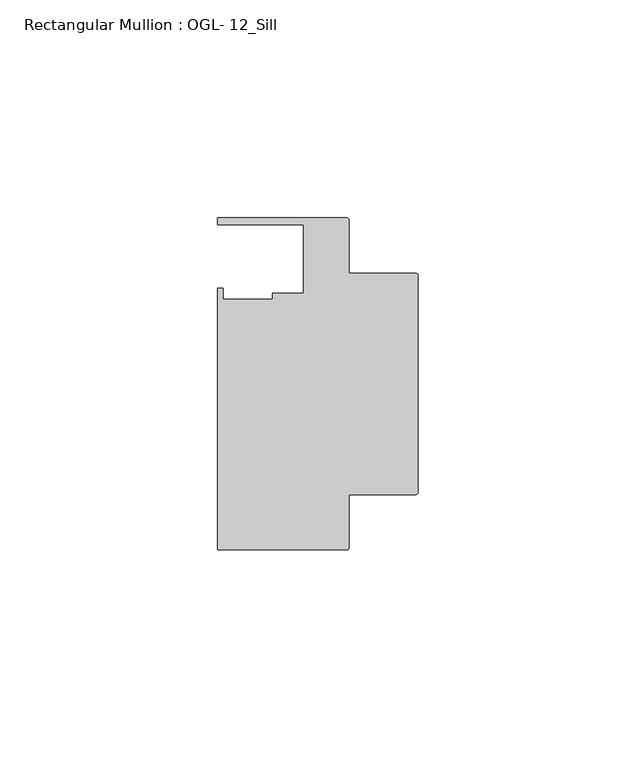
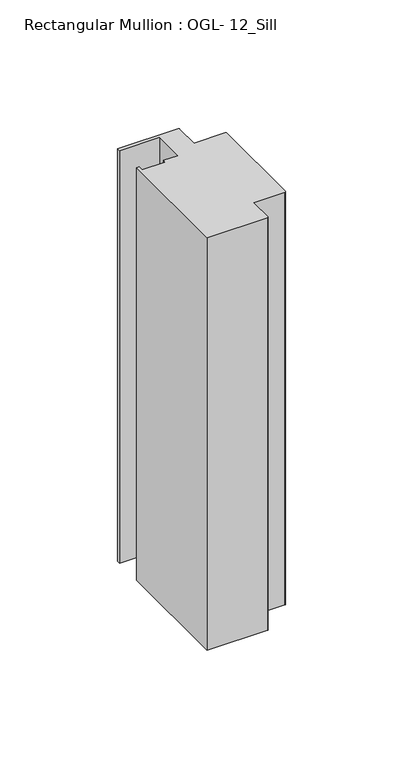
"""IFC4 building model written with IfcOpenShell, lengths in millimetres: member geometry, Rectangular Mullion : OGL- 12_Sill."""

from ifc_helpers import new_model, si_unit, point, frame, frame_2d, origin, place, context, project, spatial, polyline, circle_curve, trimmed, segment, composite_curve, outline, extrude, source, transform, mapped, element, save


def rectangular_mullion_ogl_12_sill_153b807e(model_context):
    return source(origin(), model_context, "Body", "SweptSolid", [
        extrude(outline(composite_curve([segment(polyline([(-0.5953125, -25.4), (-15.8750672, -25.4), (-15.8750672, -37.5043667)]), True, "CONTINUOUS"), segment(trimmed(circle_curve(frame_2d((-16.4703797, -37.5043667)), 0.5953125), [point((-15.8750672, -37.5043667))], [point((-16.4703797, -38.0996792))], False, "CARTESIAN"), True, "CONTINUOUS"), segment(polyline([(-16.4703797, -38.0996792), (-46.0339598, -38.0996792), (-46.0339598, 21.9710976), (-44.7780305, 21.9710976), (-44.7780305, 19.4824275), (-33.3985545, 19.4824275), (-33.3985545, 20.8257348), (-26.3720794, 20.8257348), (-26.3720794, 36.512516), (-46.0248655, 36.512516), (-46.0248655, 38.100016), (-16.4703797, 38.100016)]), True, "CONTINUOUS"), segment(trimmed(circle_curve(frame_2d((-16.4703797, 37.5047035)), 0.5953125), [point((-16.4703797, 38.100016))], [point((-15.8750672, 37.5047035))], False, "CARTESIAN"), True, "CONTINUOUS"), segment(polyline([(-15.8750672, 37.5047035), (-15.8750672, 25.4), (-0.5953125, 25.4)]), True, "CONTINUOUS"), segment(trimmed(circle_curve(frame_2d((-0.5953125, 24.8046875)), 0.5953125), [point((-0.5953125, 25.4))], [point((0.0, 24.8046875))], False, "CARTESIAN"), True, "CONTINUOUS"), segment(polyline([(0.0, 24.8046875), (0.0, -24.8046875)]), True, "CONTINUOUS"), segment(trimmed(circle_curve(frame_2d((-0.5953125, -24.8046875)), 0.5953125), [point((0.0, -24.8046875))], [point((-0.5953125, -25.4))], False, "CARTESIAN"), True, "CONTINUOUS")], self_intersect=False)), frame((0.0, 0.0, -213.7880644), z_axis=(0.0, 0.0, 1.0), x_axis=(1.0, 0.0, 0.0)), (0.0, 0.0, 1.0), 213.7880644),
    ])


if __name__ == "__main__":
    model = new_model("IFC4")
    model_context = context("Model", 3, world=origin())
    ifc_project = project(units=[si_unit("LENGTHUNIT", "METRE", prefix="MILLI")], contexts=[model_context])
    site = spatial("IfcSite", under=ifc_project)
    building = spatial("IfcBuilding", under=site)
    placement = place(None, origin())
    rectangular_mullion_ogl_12_sill_shape = rectangular_mullion_ogl_12_sill_153b807e(model_context)
    element("IfcMember", 1, ObjectType="Rectangular Mullion : OGL- 12_Sill", at=placement, inside=building, context=model_context, shape_type="MappedRepresentation", body=[
        mapped(rectangular_mullion_ogl_12_sill_shape, transform((0.0, 0.0, 0.0), x_axis=(1.0, 0.0, 0.0), y_axis=(0.0, 1.0, 0.0), z_axis=(0.0, 0.0, 1.0))),
    ])
    save(model, "model.ifc")
